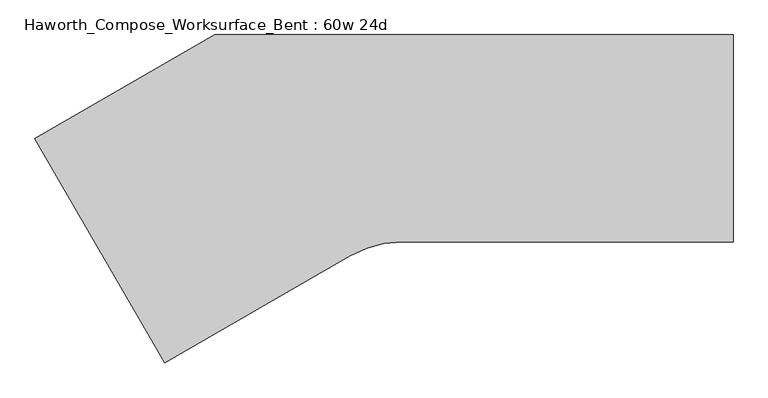
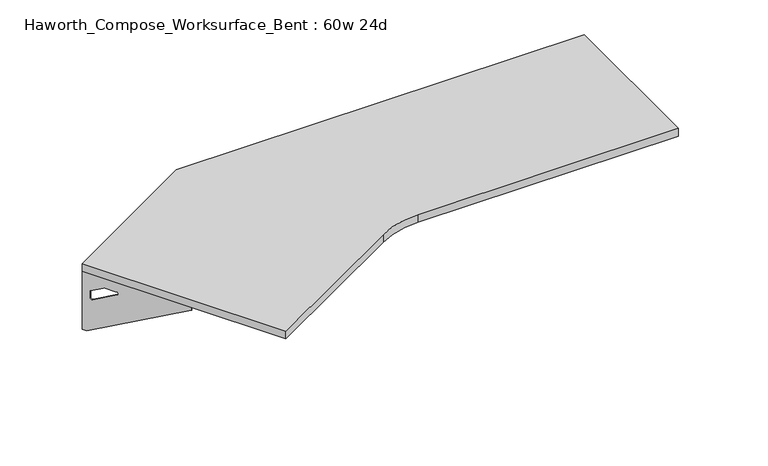
"""IFC4 building model written with IfcOpenShell, lengths in millimetres: furniture geometry, Haworth_Compose_Worksurface_Bent : 60w 24d."""

from ifc_helpers import new_model, si_unit, point, frame, frame_2d, origin, place, context, project, spatial, polyline, circle_curve, trimmed, segment, composite_curve, outline, extrude, source, transform, mapped, element, save
from ifc_brep_helpers import plane_surface, revolved_surface, advanced_brep


def haworth_compose_worksurface_bent_60w_24d_8d99b460(model_context):
    return source(origin(), model_context, "Body", "SolidModel", [
        advanced_brep(
        [(756.44375, 304.8, 475.45625), (756.44375, 288.925, 475.45625), (756.44375, -101.6, 691.7192568), (756.44375, -101.6, 704.05625), (756.44375, 288.925, 704.05625), (756.44375, 304.8, 704.05625), (756.44375, 221.490072, 665.95625), (756.44375, 177.8355284, 665.95625), (756.44375, 175.1564235, 656.3705539), (756.44375, 266.8776173, 605.5776439), (756.44375, 276.225, 611.1756969), (756.44375, 276.225, 634.6860246), (756.44375, 274.4730055, 637.5242776), (756.44375, 224.5663437, 665.1613425), (758.825, 304.8, 475.45625), (758.825, 304.8, 704.05625), (758.825, 288.925, 704.05625), (758.825, 288.925, 706.4375), (758.825, -101.6, 706.4375), (758.825, -101.6, 691.7192568), (758.825, 288.925, 475.45625), (758.825, 221.490072, 665.95625), (758.825, 224.5663437, 665.1613425), (758.825, 274.4730055, 637.5242776), (758.825, 276.225, 634.6860246), (758.825, 276.225, 611.1756969), (758.825, 266.8776173, 605.5776439), (758.825, 175.1564235, 656.3705539), (758.825, 177.8355284, 665.95625), (717.55, -101.6, 706.4375), (717.55, -101.6, 704.05625), (717.55, 288.925, 704.05625), (717.55, 288.925, 706.4375)],
        [
            (0, 1),
            (1, 2),
            (2, 3),
            (3, 4),
            (4, 5),
            (5, 0),
            (6, 7),
            (7, 8, circle_curve(frame((756.44375, 177.8355284, 660.7890106), z_axis=(1.0, 0.0, 0.0), x_axis=(0.0, -1.0, 0.0)), 5.1672394)),
            (8, 9),
            (9, 10, circle_curve(frame((756.44375, 269.875, 611.1756969), z_axis=(1.0, 0.0, 0.0), x_axis=(0.0, -1.0, 0.0)), 6.35)),
            (10, 11),
            (11, 12, circle_curve(frame((756.44375, 273.05, 634.6860246), z_axis=(1.0, 0.0, 0.0), x_axis=(0.0, -1.0, 0.0)), 3.175)),
            (12, 13),
            (13, 6, circle_curve(frame((756.44375, 221.490072, 659.60625), z_axis=(1.0, 0.0, 0.0), x_axis=(0.0, -1.0, 0.0)), 6.35)),
            (14, 15),
            (15, 16),
            (16, 17),
            (17, 18),
            (18, 19),
            (19, 20),
            (20, 14),
            (21, 22, circle_curve(frame((758.825, 221.490072, 659.60625), z_axis=(-1.0, 0.0, 0.0), x_axis=(0.0, -1.0, 0.0)), 6.35)),
            (22, 23),
            (23, 24, circle_curve(frame((758.825, 273.05, 634.6860246), z_axis=(-1.0, 0.0, 0.0), x_axis=(0.0, -1.0, 0.0)), 3.175)),
            (24, 25),
            (25, 26, circle_curve(frame((758.825, 269.875, 611.1756969), z_axis=(-1.0, 0.0, 0.0), x_axis=(0.0, -1.0, 0.0)), 6.35)),
            (26, 27),
            (27, 28, circle_curve(frame((758.825, 177.8355284, 660.7890106), z_axis=(-1.0, 0.0, 0.0), x_axis=(0.0, -1.0, 0.0)), 5.1672394)),
            (28, 21),
            (4, 16),
            (15, 5),
            (14, 0),
            (20, 1),
            (19, 2),
            (18, 29),
            (29, 30),
            (30, 3),
            (6, 21),
            (28, 7),
            (9, 26),
            (25, 10),
            (24, 11),
            (23, 12),
            (27, 8),
            (31, 4),
            (30, 31),
            (32, 29),
            (17, 32),
            (31, 32),
            (22, 13),
        ],
        [
            plane_surface(frame((756.44375, 304.8, 475.45625), z_axis=(-1.0, 0.0, 0.0), x_axis=(0.0, 1.0, 0.0))),
            plane_surface(frame((758.825, 304.8, 475.45625), z_axis=(1.0, 0.0, 0.0), x_axis=(0.0, -1.0, 0.0))),
            plane_surface(frame((758.825, -101.6, 704.05625), z_axis=(0.0, 0.0, 1.0), x_axis=(-1.0, 0.0, 0.0))),
            plane_surface(frame((758.825, 304.8, 704.05625), z_axis=(0.0, 1.0, 0.0), x_axis=(-1.0, 0.0, 0.0))),
            plane_surface(frame((758.825, 304.8, 475.45625), z_axis=(0.0, 0.0, -1.0), x_axis=(-1.0, 0.0, 0.0))),
            plane_surface(frame((758.825, 288.925, 475.45625), z_axis=(0.0, -0.48445223513455843, -0.8748177135112952), x_axis=(-1.0, 0.0, 0.0))),
            plane_surface(frame((758.825, -101.6, 691.7192568), z_axis=(0.0, -1.0, 0.0), x_axis=(-1.0, 0.0, 0.0))),
            plane_surface(frame((758.825, 221.490072, 665.95625), z_axis=(0.0, 0.0, -1.0), x_axis=(-1.0, 0.0, 0.0))),
            revolved_surface(polyline([(756.44375, 263.525, 611.1756969), (758.825, 263.525, 611.1756969)]), (758.825, 269.875, 611.1756969), (-1.0, 0.0, 0.0)),
            plane_surface(frame((758.825, 276.225, 611.1756969), z_axis=(0.0, -1.0, 0.0), x_axis=(-1.0, 0.0, 0.0))),
            revolved_surface(polyline([(756.44375, 269.875, 634.6860246), (758.825, 269.875, 634.6860246)]), (758.825, 273.05, 634.6860246), (-1.0, 0.0, 0.0)),
            revolved_surface(polyline([(756.44375, 172.668289, 660.7890106), (758.825, 172.668289, 660.7890106)]), (758.825, 177.8355284, 660.7890106), (-1.0, 0.0, 0.0)),
            plane_surface(frame((758.825, 288.925, 704.05625), z_axis=(0.0, 0.0, -1.0), x_axis=(-1.0, 0.0, 0.0))),
            plane_surface(frame((758.825, 288.925, 706.4375), z_axis=(0.0, 0.0, 1.0), x_axis=(1.0, 0.0, 0.0))),
            plane_surface(frame((717.55, 288.925, 706.4375), z_axis=(0.0, 1.0, 0.0), x_axis=(0.0, 0.0, -1.0))),
            plane_surface(frame((717.55, -101.6, 706.4375), z_axis=(-1.0, 0.0, 0.0), x_axis=(0.0, 0.0, -1.0))),
            plane_surface(frame((758.825, 175.1564235, 656.3705539), z_axis=(0.0, 0.4844522351345583, 0.8748177135112953), x_axis=(-1.0, 0.0, 0.0))),
            plane_surface(frame((758.825, 274.4730055, 637.5242776), z_axis=(0.0, -0.4844522351345582, -0.8748177135112953), x_axis=(-1.0, 0.0, 0.0))),
            revolved_surface(polyline([(756.44375, 215.140072, 659.60625), (758.825, 215.140072, 659.60625)]), (758.825, 221.490072, 659.60625), (-1.0, 0.0, 0.0)),
        ],
        [
            (0, [[1, 2, 3, 4, 5, 6], [7, 8, 9, 10, 11, 12, 13, 14]]),
            (1, [[15, 16, 17, 18, 19, 20, 21], [22, 23, 24, 25, 26, 27, 28, 29]]),
            (2, [[-5, 30, -16, 31]]),
            (3, [[-31, -15, 32, -6]]),
            (4, [[-32, -21, 33, -1]]),
            (5, [[-33, -20, 34, -2]]),
            (6, [[-34, -19, 35, 36, 37, -3]]),
            (7, [[38, -29, 39, -7]]),
            (8, [[40, -26, 41, -10]]),
            (9, [[-41, -25, 42, -11]]),
            (10, [[-42, -24, 43, -12]]),
            (11, [[-39, -28, 44, -8]]),
            (12, [[45, -4, -37, 46]]),
            (13, [[47, -35, -18, 48]]),
            (14, [[-17, -30, -45, 49, -48]]),
            (15, [[-36, -47, -49, -46]]),
            (16, [[-44, -27, -40, -9]]),
            (17, [[-43, -23, 50, -13]]),
            (18, [[-50, -22, -38, -14]]),
        ],
    ),
        advanced_brep(
        [(-1285.1172325, 2.778125, 475.45625), (-1285.1172325, 2.778125, 704.05625), (-1277.1797325, -10.9700283, 704.05625), (-1081.9172325, -349.1745991, 704.05625), (-1081.9172325, -349.1745991, 691.7192568), (-1277.1797325, -10.9700283, 475.45625), (-1243.4622685, -69.370389, 665.95625), (-1245.0004043, -66.7062596, 665.1613425), (-1269.9537353, -23.4858226, 637.5242776), (-1270.8297325, -21.9685509, 634.6860246), (-1270.8297325, -21.9685509, 611.1756969), (-1266.1560412, -30.0636218, 605.5776439), (-1220.2954442, -109.4965057, 656.3705539), (-1221.6349967, -107.1763328, 665.95625), (-1287.1794555, 1.5875, 475.45625), (-1279.2419555, -12.1606533, 475.45625), (-1083.9794555, -350.3652241, 691.7192568), (-1083.9794555, -350.3652241, 706.4375), (-1279.2419555, -12.1606533, 706.4375), (-1279.2419555, -12.1606533, 704.05625), (-1287.1794555, 1.5875, 704.05625), (-1245.5244915, -70.561014, 665.95625), (-1223.6972197, -108.3669578, 665.95625), (-1222.3576672, -110.6871307, 656.3705539), (-1268.2182641, -31.2542468, 605.5776439), (-1272.8919555, -23.1591759, 611.1756969), (-1272.8919555, -23.1591759, 634.6860246), (-1272.0159583, -24.6764476, 637.5242776), (-1247.0626273, -67.8968846, 665.1613425), (-1048.2342569, -329.7277241, 704.05625), (-1048.2342569, -329.7277241, 706.4375), (-1243.4967569, 8.4768467, 704.05625), (-1243.4967569, 8.4768467, 706.4375)],
        [
            (0, 1),
            (1, 2),
            (2, 3),
            (3, 4),
            (4, 5),
            (5, 0),
            (6, 7, circle_curve(frame((-1243.4622685, -69.370389, 659.60625), z_axis=(-0.8660254037844367, -0.5000000000000036, 0.0), x_axis=(0.5000000000000034, -0.8660254037844365, 0.0)), 6.35)),
            (7, 8),
            (8, 9, circle_curve(frame((-1269.2422325, -24.7181816, 634.6860246), z_axis=(-0.8660254037844367, -0.5000000000000036, 0.0), x_axis=(0.5000000000000034, -0.8660254037844365, 0.0)), 3.175)),
            (9, 10),
            (10, 11, circle_curve(frame((-1267.6547325, -27.4678122, 611.1756969), z_axis=(-0.8660254037844367, -0.5000000000000036, 0.0), x_axis=(0.5000000000000034, -0.8660254037844365, 0.0)), 6.35)),
            (11, 12),
            (12, 13, circle_curve(frame((-1221.6349967, -107.1763328, 660.7890106), z_axis=(-0.8660254037844367, -0.5000000000000036, 0.0), x_axis=(0.5000000000000034, -0.8660254037844365, 0.0)), 5.1672394)),
            (13, 6),
            (14, 15),
            (15, 16),
            (16, 17),
            (17, 18),
            (18, 19),
            (19, 20),
            (20, 14),
            (21, 22),
            (22, 23, circle_curve(frame((-1223.6972197, -108.3669578, 660.7890106), z_axis=(0.8660254037844367, 0.5000000000000036, 0.0), x_axis=(0.5000000000000034, -0.8660254037844365, 0.0)), 5.1672394)),
            (23, 24),
            (24, 25, circle_curve(frame((-1269.7169555, -28.6584372, 611.1756969), z_axis=(0.8660254037844367, 0.5000000000000036, 0.0), x_axis=(0.5000000000000034, -0.8660254037844365, 0.0)), 6.35)),
            (25, 26),
            (26, 27, circle_curve(frame((-1271.3044555, -25.9088066, 634.6860246), z_axis=(0.8660254037844367, 0.5000000000000036, 0.0), x_axis=(0.5000000000000034, -0.8660254037844365, 0.0)), 3.175)),
            (27, 28),
            (28, 21, circle_curve(frame((-1245.5244915, -70.561014, 659.60625), z_axis=(0.8660254037844367, 0.5000000000000036, 0.0), x_axis=(0.5000000000000034, -0.8660254037844365, 0.0)), 6.35)),
            (1, 20),
            (19, 2),
            (0, 14),
            (5, 15),
            (4, 16),
            (3, 29),
            (29, 30),
            (30, 17),
            (13, 22),
            (21, 6),
            (10, 25),
            (24, 11),
            (9, 26),
            (8, 27),
            (12, 23),
            (31, 29),
            (2, 31),
            (32, 18),
            (30, 32),
            (32, 31),
            (7, 28),
        ],
        [
            plane_surface(frame((-1285.1172325, 2.778125, 475.45625), z_axis=(0.8660254037844367, 0.5000000000000036, 0.0), x_axis=(-0.5000000000000036, 0.8660254037844367, 0.0))),
            plane_surface(frame((-1287.1794555, 1.5875, 475.45625), z_axis=(-0.8660254037844367, -0.5000000000000036, 0.0), x_axis=(0.5000000000000036, -0.8660254037844367, 0.0))),
            plane_surface(frame((-1083.9794555, -350.3652241, 704.05625), z_axis=(0.0, 0.0, 1.0), x_axis=(0.8660254037844358, 0.500000000000005, 0.0))),
            plane_surface(frame((-1287.1794555, 1.5875, 704.05625), z_axis=(-0.500000000000005, 0.8660254037844358, 0.0), x_axis=(0.8660254037844358, 0.500000000000005, 0.0))),
            plane_surface(frame((-1287.1794555, 1.5875, 475.45625), z_axis=(0.0, 0.0, -1.0), x_axis=(0.8660254037844358, 0.500000000000005, 0.0))),
            plane_surface(frame((-1279.2419555, -12.1606533, 475.45625), z_axis=(0.24222611756728163, -0.41954794254667843, -0.8748177135112951), x_axis=(0.8660254037844358, 0.500000000000005, 0.0))),
            plane_surface(frame((-1083.9794555, -350.3652241, 691.7192568), z_axis=(0.500000000000005, -0.8660254037844358, 0.0), x_axis=(0.8660254037844358, 0.500000000000005, 0.0))),
            plane_surface(frame((-1245.5244915, -70.561014, 665.95625), z_axis=(0.0, 0.0, -1.0), x_axis=(0.8660254037844358, 0.500000000000005, 0.0))),
            revolved_surface(polyline([(-1264.4797325018096, -32.96707351089683, 611.1756969), (-1266.5419555060757, -34.15769851753894, 611.1756969)]), (-1269.7169555, -28.6584372, 611.1756969), (0.8660254037844365, 0.5000000000000034, 0.0)),
            plane_surface(frame((-1272.8919555, -23.1591759, 611.1756969), z_axis=(0.500000000000005, -0.8660254037844358, 0.0), x_axis=(0.8660254037844358, 0.500000000000005, 0.0))),
            revolved_surface(polyline([(-1267.6547324831968, -27.46781224313527, 634.6860246), (-1269.7169554999998, -28.658437257015585, 634.6860246)]), (-1271.3044555, -25.9088066, 634.6860246), (0.8660254037844365, 0.5000000000000034, 0.0)),
            revolved_surface(polyline([(-1219.0513769630957, -111.6512933623501, 660.7890106), (-1221.1136, -112.84191838783585, 660.7890106)]), (-1223.6972197, -108.3669578, 660.7890106), (0.8660254037844365, 0.5000000000000034, 0.0)),
            plane_surface(frame((-1279.2419555, -12.1606533, 704.05625), z_axis=(0.0, 0.0, -1.0), x_axis=(0.866025403784437, 0.5000000000000029, 0.0))),
            plane_surface(frame((-1279.2419555, -12.1606533, 706.4375), z_axis=(0.0, 0.0, 1.0), x_axis=(-0.866025403784437, -0.5000000000000029, 0.0))),
            plane_surface(frame((-1243.4967569, 8.4768467, 706.4375), z_axis=(-0.5000000000000029, 0.866025403784437, 0.0), x_axis=(0.0, 0.0, -1.0))),
            plane_surface(frame((-1048.2342569, -329.7277241, 706.4375), z_axis=(0.8660254037844367, 0.5000000000000036, 0.0), x_axis=(0.0, 0.0, -1.0))),
            plane_surface(frame((-1222.3576672, -110.6871307, 656.3705539), z_axis=(-0.24222611756728157, 0.4195479425466783, 0.8748177135112953), x_axis=(0.8660254037844358, 0.500000000000005, 0.0))),
            plane_surface(frame((-1272.0159583, -24.6764476, 637.5242776), z_axis=(0.24222611756728155, -0.41954794254667827, -0.8748177135112954), x_axis=(0.8660254037844358, 0.500000000000005, 0.0))),
            revolved_surface(polyline([(-1240.287268482125, -74.86965029953195, 659.60625), (-1242.3494915, -76.06027531403117, 659.60625)]), (-1245.5244915, -70.561014, 659.60625), (0.8660254037844365, 0.5000000000000034, 0.0)),
        ],
        [
            (0, [[1, 2, 3, 4, 5, 6], [7, 8, 9, 10, 11, 12, 13, 14]]),
            (1, [[15, 16, 17, 18, 19, 20, 21], [22, 23, 24, 25, 26, 27, 28, 29]]),
            (2, [[30, -20, 31, -2]]),
            (3, [[-1, 32, -21, -30]]),
            (4, [[-6, 33, -15, -32]]),
            (5, [[-5, 34, -16, -33]]),
            (6, [[-4, 35, 36, 37, -17, -34]]),
            (7, [[-14, 38, -22, 39]]),
            (8, [[-11, 40, -25, 41]]),
            (9, [[-10, 42, -26, -40]]),
            (10, [[-9, 43, -27, -42]]),
            (11, [[-13, 44, -23, -38]]),
            (12, [[45, -35, -3, 46]]),
            (13, [[47, -18, -37, 48]]),
            (14, [[-47, 49, -46, -31, -19]]),
            (15, [[-45, -49, -48, -36]]),
            (16, [[-12, -41, -24, -44]]),
            (17, [[-8, 50, -28, -43]]),
            (18, [[-7, -39, -29, -50]]),
        ],
    ),
        extrude(outline(composite_curve([segment(polyline([(-762.0, 304.8), (762.0, 304.8), (762.0, -304.8), (-212.1872584, -304.8)]), True, "CONTINUOUS"), segment(trimmed(circle_curve(frame_2d((-212.1872584, -609.6)), 304.8), [point((-212.1872584, -304.8))], [point((-364.5872584, -345.6354569))], True, "CARTESIAN"), True, "CONTINUOUS"), segment(polyline([(-364.5872584, -345.6354569), (-908.9290861, -659.9113577), (-1289.9290861, 0.0), (-762.0, 304.8)]), True, "CONTINUOUS")], self_intersect=False)), frame((0.0, 0.0, 706.4375), z_axis=(0.0, 0.0, 1.0), x_axis=(1.0, 0.0, 0.0)), (0.0, 0.0, 1.0), 30.1625),
    ])


if __name__ == "__main__":
    model = new_model("IFC4")
    model_context = context("Model", 3, world=origin())
    ifc_project = project(units=[si_unit("LENGTHUNIT", "METRE", prefix="MILLI")], contexts=[model_context])
    site = spatial("IfcSite", under=ifc_project)
    building = spatial("IfcBuilding", under=site)
    placement = place(None, origin())
    haworth_compose_worksurface_bent_60w_24d_shape = haworth_compose_worksurface_bent_60w_24d_8d99b460(model_context)
    element("IfcFurniture", 1, ObjectType="Haworth_Compose_Worksurface_Bent : 60w 24d", at=placement, inside=building, context=model_context, shape_type="MappedRepresentation", body=[
        mapped(haworth_compose_worksurface_bent_60w_24d_shape, transform((0.0, 0.0, 0.0), x_axis=(1.0, 0.0, 0.0), y_axis=(0.0, 1.0, 0.0), z_axis=(0.0, 0.0, 1.0))),
    ])
    save(model, "model.ifc")
